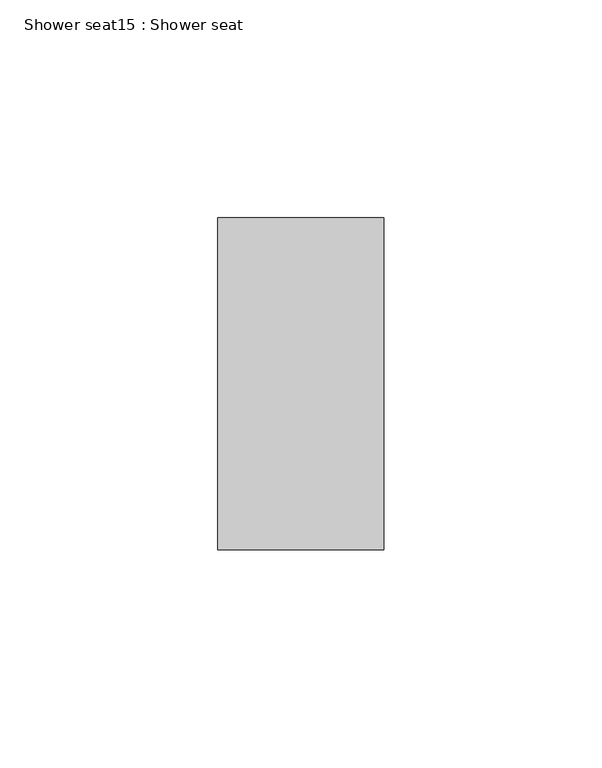
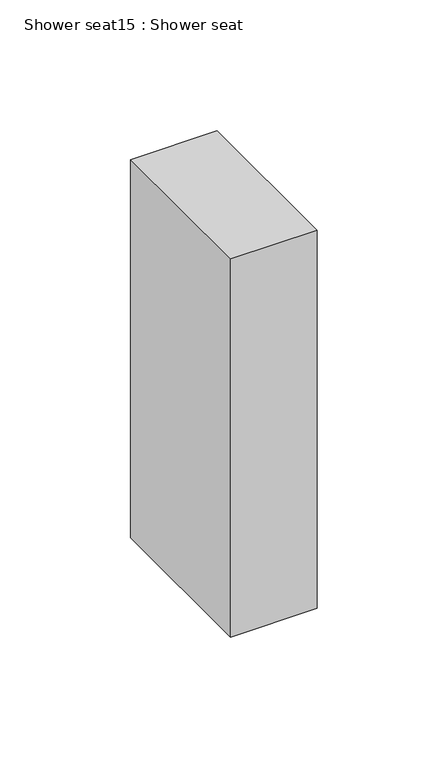
"""IFC4 building model written with IfcOpenShell, lengths in millimetres: proxy geometry, Shower seat15 : Shower seat."""

from ifc_helpers import new_model, si_unit, frame, origin, place, context, project, spatial, polyline, outline, extrude, source, transform, mapped, element, save


def shower_seat15_shower_seat_d41612c3(model_context):
    return source(origin(), model_context, "Body", "SweptSolid", [
        extrude(outline(polyline([(35618.3910837, 26184.1995863), (35618.3910837, 26260.3995863), (35656.4910837, 26260.3995863), (35656.4910837, 26184.1995863), (35618.3910837, 26184.1995863)])), frame((0.0, 0.0, 1970.5721927), z_axis=(0.0, 0.0, 1.0), x_axis=(1.0, 0.0, 0.0)), (0.0, 0.0, 1.0), 176.3252154),
    ])


if __name__ == "__main__":
    model = new_model("IFC4")
    model_context = context("Model", 3, world=origin())
    ifc_project = project(units=[si_unit("LENGTHUNIT", "METRE", prefix="MILLI")], contexts=[model_context])
    site = spatial("IfcSite", under=ifc_project)
    building = spatial("IfcBuilding", under=site)
    placement = place(None, origin())
    shower_seat15_shower_seat_shape = shower_seat15_shower_seat_d41612c3(model_context)
    element("IfcBuildingElementProxy", 1, Name="Shower seat15 : Shower seat", ObjectType="Shower seat15 : Shower seat", at=placement, inside=building, context=model_context, shape_type="MappedRepresentation", body=[
        mapped(shower_seat15_shower_seat_shape, transform((0.0, 0.0, 0.0), x_axis=(1.0, 0.0, 0.0), y_axis=(0.0, 1.0, 0.0), z_axis=(0.0, 0.0, 1.0))),
    ])
    save(model, "model.ifc")
